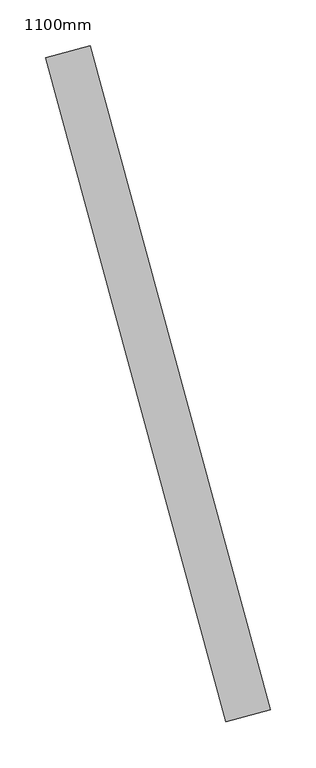
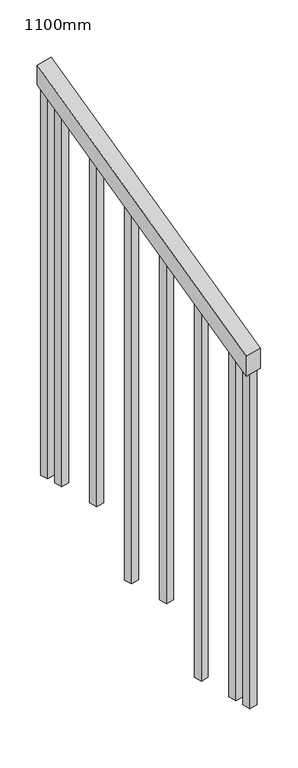
"""IFC4 building model written with IfcOpenShell, lengths in millimetres: railing geometry, 1100mm."""

from ifc_helpers import new_model, si_unit, frame, origin, place, context, project, spatial, polyline, outline, extrude, source, transform, mapped, element, save


def railing_1100mm_4d489137(model_context):
    return source(origin(), model_context, "Body", "SweptSolid", [
        extrude(outline(polyline([(-35.5555555, -50.0), (0.0, 0.0), (920.2958462, 0.0), (884.7402906, -50.0), (-35.5555555, -50.0)])), frame((72024.0021388, 48347.8207623, 1277.7777778), z_axis=(0.9649894123601823, 0.26228883703419403, 0.0), x_axis=(-0.21375368431596392, 0.7864232597554083, 0.5795237863599982)), (0.0, 0.0, 1.0), 50.0),
        extrude(outline(polyline([(108.8888889, 0.0), (91.1111112, 25.0), (1271.980277, 25.0), (1271.980277, 0.0), (108.8888889, 0.0)])), frame((71859.0195415, 49002.4672261, 1805.3136103), z_axis=(0.9649894123601821, 0.2622888370341949, 0.0), x_axis=(0.0, 0.0, -1.0)), (0.0, 0.0, 1.0), 25.0),
        extrude(outline(polyline([(108.8888889, 0.0), (91.1111111, 25.0), (1183.0913881, 25.0), (1183.0913881, 0.0), (108.8888889, 0.0)])), frame((71891.8056461, 48881.8435496, 1716.4247214), z_axis=(0.9649894123601821, 0.2622888370341949, 0.0), x_axis=(0.0, 0.0, -1.0)), (0.0, 0.0, 1.0), 25.0),
        extrude(outline(polyline([(108.8888889, 0.0), (91.1111111, 25.0000001), (1271.9802769, 25.0000001), (1271.9802769, 0.0), (108.8888889, 0.0)])), frame((71924.5917507, 48761.219873, 1627.5358325), z_axis=(0.9649894123601821, 0.2622888370341949, 0.0), x_axis=(0.0, 0.0, -1.0)), (0.0, 0.0, 1.0), 25.0),
        extrude(outline(polyline([(108.8888889, 0.0), (91.1111111, 25.0), (1183.091388, 25.0), (1183.091388, 0.0), (108.8888889, 0.0)])), frame((71957.3778553, 48640.5961965, 1538.6469436), z_axis=(0.9649894123601821, 0.2622888370341949, 0.0), x_axis=(0.0, 0.0, -1.0)), (0.0, 0.0, 1.0), 25.0),
        extrude(outline(polyline([(108.8888889, 0.0), (91.1111111, 25.0), (1271.9802769, 25.0), (1271.9802769, 0.0), (108.8888889, 0.0)])), frame((71990.16396, 48519.97252, 1449.7580547), z_axis=(0.9649894123601821, 0.2622888370341949, 0.0), x_axis=(0.0, 0.0, -1.0)), (0.0, 0.0, 1.0), 25.0),
        extrude(outline(polyline([(108.8888889, 0.0), (91.1111111, 25.0), (1183.091388, 25.0), (1183.091388, 0.0), (108.8888889, 0.0)])), frame((72022.9500646, 48399.3488434, 1360.8691658), z_axis=(0.9649894123601821, 0.2622888370341949, 0.0), x_axis=(0.0, 0.0, -1.0)), (0.0, 0.0, 1.0), 25.0),
        extrude(outline(polyline([(108.8888889, 0.0), (91.1111111, 25.0), (1307.5358325, 25.0), (1307.5358325, 0.0), (108.8888889, 0.0)])), frame((71845.9050996, 49050.7166968, 1840.8691658), z_axis=(0.9649894123601821, 0.2622888370341949, 0.0), x_axis=(0.0, 0.0, -1.0)), (0.0, 0.0, 1.0), 25.0),
        extrude(outline(polyline([(108.8888889, 0.0), (91.1111112, 25.0), (1147.5358325, 25.0), (1147.5358325, 0.0), (108.8888889, 0.0)])), frame((72036.0645065, 48351.0993728, 1325.3136103), z_axis=(0.9649894123601821, 0.2622888370341949, 0.0), x_axis=(0.0, 0.0, -1.0)), (0.0, 0.0, 1.0), 25.0),
    ])


if __name__ == "__main__":
    model = new_model("IFC4")
    model_context = context("Model", 3, world=origin())
    ifc_project = project(units=[si_unit("LENGTHUNIT", "METRE", prefix="MILLI")], contexts=[model_context])
    site = spatial("IfcSite", under=ifc_project)
    building = spatial("IfcBuilding", under=site)
    placement = place(None, origin())
    railing_1100mm_shape = railing_1100mm_4d489137(model_context)
    element("IfcRailing", 1, ObjectType="1100mm", at=placement, inside=building, context=model_context, shape_type="MappedRepresentation", body=[
        mapped(railing_1100mm_shape, transform((0.0, 0.0, 0.0), x_axis=(1.0, 0.0, 0.0), y_axis=(0.0, 1.0, 0.0), z_axis=(0.0, 0.0, 1.0))),
    ])
    save(model, "model.ifc")
